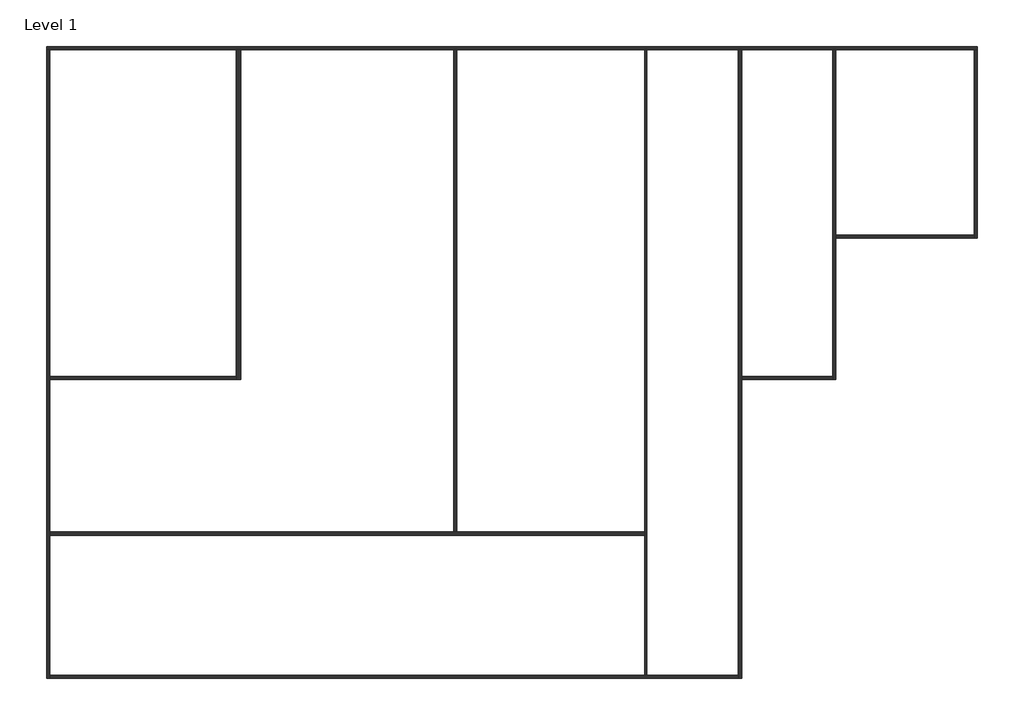
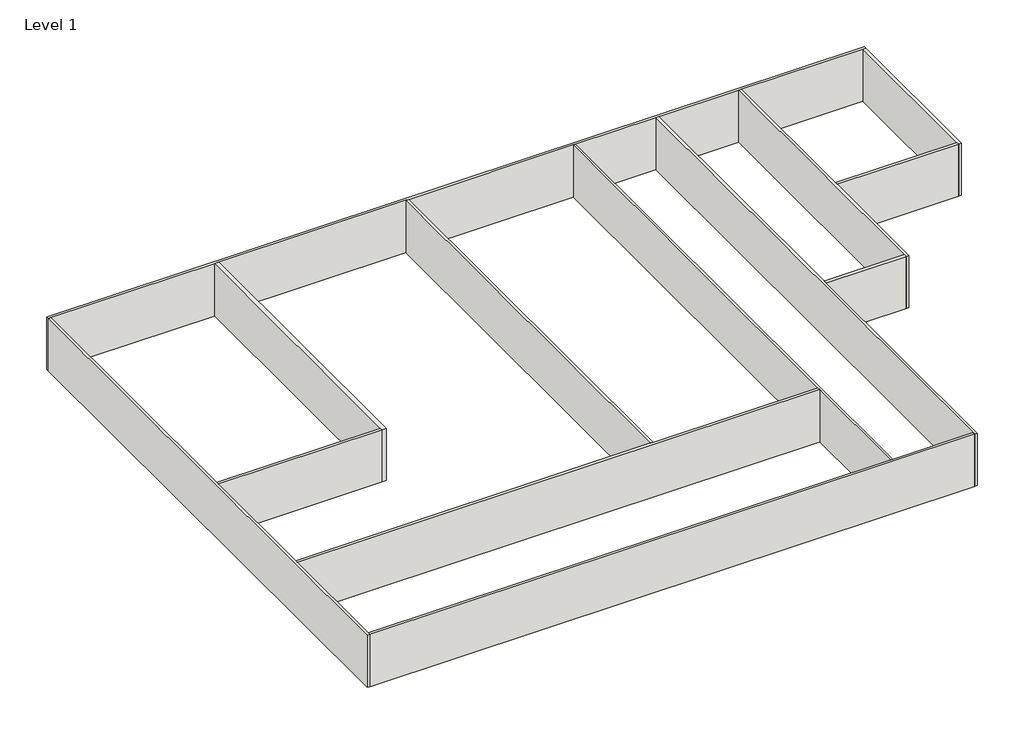
# One storey: 13 walls.
"""IFC4 building model written with IfcOpenShell, lengths in millimetres."""

from ifc_helpers import new_model, si_unit, origin, origin_with_axes, place, context, project, spatial, polyline, outline, extrude, faceted_brep, element, save

model = new_model("IFC4")

# Units and contexts
model_context = context("Model", 3, world=origin())
ifc_project = project(units=[si_unit("LENGTHUNIT", "METRE", prefix="MILLI")], contexts=[model_context])

# Site, building, storey
site = spatial("IfcSite", under=ifc_project)
building = spatial("IfcBuilding", under=site)
storey = spatial("IfcBuildingStorey", under=building, Name="Level 1", Elevation=0.0)

# Walls
placement = place(None, origin())
element("IfcWall", 1, ObjectType="Generic - 140mm Masonry", at=placement, inside=storey, context=model_context, shape_type="Brep", body=[
    faceted_brep([(19366.3587978, 18394.0384489, 0.0), (19366.3587978, -12293.4615511, 0.0), (19366.3587978, -12518.4615511, 0.0), (19366.3587978, -21405.9615511, 0.0), (19366.3587978, -21405.9615511, 4000.0), (19366.3587978, -12518.4615511, 4000.0), (19366.3587978, -12293.4615511, 4000.0), (19366.3587978, 18394.0384489, 4000.0), (19506.3587978, 18394.0384489, 0.0), (19506.3587978, 18394.0384489, 4000.0), (19506.3587978, -21405.9615511, 4000.0), (19506.3587978, -21405.9615511, 0.0)], [[[0, 1, 2, 3, 4, 5, 6, 7]], [[8, 9, 10, 11]], [[3, 2, 1, 0, 8, 11]], [[7, 6, 5, 4, 10, 9]], [[4, 3, 11, 10]], [[0, 7, 9, 8]]]),
])
element("IfcWall", 2, ObjectType="Generic - 200mm", at=placement, inside=storey, context=model_context, shape_type="Brep", body=[
    faceted_brep([(-18663.6412022, 18394.0384489, 0.0), (-18463.6412022, 18394.0384489, 0.0), (-6613.6412022, 18394.0384489, 0.0), (-6313.6412022, 18394.0384489, 0.0), (7236.3587978, 18394.0384489, 0.0), (7436.3587978, 18394.0384489, 0.0), (19366.3587978, 18394.0384489, 0.0), (19506.3587978, 18394.0384489, 0.0), (25336.3587978, 18394.0384489, 0.0), (25536.3587978, 18394.0384489, 0.0), (31336.3587978, 18394.0384489, 0.0), (31536.3587978, 18394.0384489, 0.0), (40336.3587978, 18394.0384489, 0.0), (40536.3587978, 18394.0384489, 0.0), (40536.3587978, 18394.0384489, 4000.0), (40336.3587978, 18394.0384489, 4000.0), (31536.3587978, 18394.0384489, 4000.0), (31336.3587978, 18394.0384489, 4000.0), (25536.3587978, 18394.0384489, 4000.0), (25336.3587978, 18394.0384489, 4000.0), (19506.3587978, 18394.0384489, 4000.0), (19366.3587978, 18394.0384489, 4000.0), (7436.3587978, 18394.0384489, 4000.0), (7236.3587978, 18394.0384489, 4000.0), (-6313.6412022, 18394.0384489, 4000.0), (-6613.6412022, 18394.0384489, 4000.0), (-18463.6412022, 18394.0384489, 4000.0), (-18663.6412022, 18394.0384489, 4000.0), (-18663.6412022, 18594.0384489, 0.0), (-18663.6412022, 18594.0384489, 4000.0), (40536.3587978, 18594.0384489, 4000.0), (40536.3587978, 18594.0384489, 0.0)], [[[0, 1, 2, 3, 4, 5, 6, 7, 8, 9, 10, 11, 12, 13, 14, 15, 16, 17, 18, 19, 20, 21, 22, 23, 24, 25, 26, 27]], [[28, 29, 30, 31]], [[13, 12, 11, 10, 9, 8, 7, 6, 5, 4, 3, 2, 1, 0, 28, 31]], [[27, 26, 25, 24, 23, 22, 21, 20, 19, 18, 17, 16, 15, 14, 30, 29]], [[0, 27, 29, 28]], [[14, 13, 31, 30]]]),
])
element("IfcWall", 3, ObjectType="Generic - 200mm", at=placement, inside=storey, context=model_context, shape_type="Brep", body=[
    faceted_brep([(-18463.6412022, -21605.9615511, 0.0), (-18463.6412022, -21405.9615511, 0.0), (-18463.6412022, -12518.4615511, 0.0), (-18463.6412022, -12293.4615511, 0.0), (-18463.6412022, -2605.9615511, 0.0), (-18463.6412022, -2405.9615511, 0.0), (-18463.6412022, 18394.0384489, 0.0), (-18463.6412022, 18394.0384489, 4000.0), (-18463.6412022, -2405.9615511, 4000.0), (-18463.6412022, -2605.9615511, 4000.0), (-18463.6412022, -12293.4615511, 4000.0), (-18463.6412022, -12518.4615511, 4000.0), (-18463.6412022, -21405.9615511, 4000.0), (-18463.6412022, -21605.9615511, 4000.0), (-18663.6412022, -21605.9615511, 0.0), (-18663.6412022, -21605.9615511, 4000.0), (-18663.6412022, 18394.0384489, 4000.0), (-18663.6412022, 18394.0384489, 0.0)], [[[0, 1, 2, 3, 4, 5, 6, 7, 8, 9, 10, 11, 12, 13]], [[14, 15, 16, 17]], [[6, 5, 4, 3, 2, 1, 0, 14, 17]], [[13, 12, 11, 10, 9, 8, 7, 16, 15]], [[0, 13, 15, 14]], [[7, 6, 17, 16]]]),
])
element("IfcWall", 4, ObjectType="Generic - 200mm", at=placement, inside=storey, context=model_context, shape_type="Brep", body=[
    faceted_brep([(25336.3587978, -21405.9615511, 0.0), (19506.3587978, -21405.9615511, 0.0), (19366.3587978, -21405.9615511, 0.0), (-18463.6412022, -21405.9615511, 0.0), (-18463.6412022, -21405.9615511, 4000.0), (19366.3587978, -21405.9615511, 4000.0), (19506.3587978, -21405.9615511, 4000.0), (25336.3587978, -21405.9615511, 4000.0), (25336.3587978, -21605.9615511, 0.0), (25336.3587978, -21605.9615511, 4000.0), (-18463.6412022, -21605.9615511, 4000.0), (-18463.6412022, -21605.9615511, 0.0)], [[[0, 1, 2, 3, 4, 5, 6, 7]], [[8, 9, 10, 11]], [[3, 2, 1, 0, 8, 11]], [[7, 6, 5, 4, 10, 9]], [[4, 3, 11, 10]], [[0, 7, 9, 8]]]),
])
element("IfcWall", 5, ObjectType="Generic - 200mm", at=placement, inside=storey, context=model_context, shape_type="SweptSolid", body=[
    extrude(outline(polyline([(-18463.6412022, -2405.9615511), (-6613.6412022, -2405.9615511), (-6613.6412022, -2605.9615511), (-18463.6412022, -2605.9615511), (-18463.6412022, -2405.9615511)])), origin_with_axes(), (0.0, 0.0, 1.0), 4000.0),
])
element("IfcWall", 6, ObjectType="Generic - 200mm", at=placement, inside=storey, context=model_context, shape_type="SweptSolid", body=[
    extrude(outline(polyline([(7436.3587978, 18394.0384489), (7436.3587978, -12293.4615511), (7236.3587978, -12293.4615511), (7236.3587978, 18394.0384489), (7436.3587978, 18394.0384489)])), origin_with_axes(), (0.0, 0.0, 1.0), 4000.0),
])
element("IfcWall", 7, ObjectType="Generic - 200mm", at=placement, inside=storey, context=model_context, shape_type="Brep", body=[
    faceted_brep([(40336.3587978, 18394.0384489, 0.0), (40336.3587978, 6594.0384489, 0.0), (40336.3587978, 6394.0384489, 0.0), (40336.3587978, 6394.0384489, 4000.0), (40336.3587978, 6594.0384489, 4000.0), (40336.3587978, 18394.0384489, 4000.0), (40536.3587978, 18394.0384489, 0.0), (40536.3587978, 18394.0384489, 4000.0), (40536.3587978, 6394.0384489, 4000.0), (40536.3587978, 6394.0384489, 0.0)], [[[0, 1, 2, 3, 4, 5]], [[6, 7, 8, 9]], [[2, 1, 0, 6, 9]], [[5, 4, 3, 8, 7]], [[0, 5, 7, 6]], [[3, 2, 9, 8]]]),
])
element("IfcWall", 8, ObjectType="Generic - 200mm", at=placement, inside=storey, context=model_context, shape_type="SweptSolid", body=[
    extrude(outline(polyline([(31536.3587978, 6594.0384489), (40336.3587978, 6594.0384489), (40336.3587978, 6394.0384489), (31536.3587978, 6394.0384489), (31536.3587978, 6594.0384489)])), origin_with_axes(), (0.0, 0.0, 1.0), 4000.0),
])
element("IfcWall", 9, ObjectType="Generic - 200mm", at=placement, inside=storey, context=model_context, shape_type="Brep", body=[
    faceted_brep([(31336.3587978, 18394.0384489, 0.0), (31336.3587978, -2405.9615511, 0.0), (31336.3587978, -2605.9615511, 0.0), (31336.3587978, -2605.9615511, 4000.0), (31336.3587978, -2405.9615511, 4000.0), (31336.3587978, 18394.0384489, 4000.0), (31536.3587978, 18394.0384489, 0.0), (31536.3587978, 18394.0384489, 4000.0), (31536.3587978, 6594.0384489, 4000.0), (31536.3587978, 6394.0384489, 4000.0), (31536.3587978, -2605.9615511, 4000.0), (31536.3587978, -2605.9615511, 0.0), (31536.3587978, 6394.0384489, 0.0), (31536.3587978, 6594.0384489, 0.0)], [[[0, 1, 2, 3, 4, 5]], [[6, 7, 8, 9, 10, 11, 12, 13]], [[2, 1, 0, 6, 13, 12, 11]], [[5, 4, 3, 10, 9, 8, 7]], [[3, 2, 11, 10]], [[0, 5, 7, 6]]]),
])
element("IfcWall", 10, ObjectType="Generic - 200mm", at=placement, inside=storey, context=model_context, shape_type="SweptSolid", body=[
    extrude(outline(polyline([(25536.3587978, -2405.9615511), (31336.3587978, -2405.9615511), (31336.3587978, -2605.9615511), (25536.3587978, -2605.9615511), (25536.3587978, -2405.9615511)])), origin_with_axes(), (0.0, 0.0, 1.0), 4000.0),
])
element("IfcWall", 11, ObjectType="Generic - 200mm", at=placement, inside=storey, context=model_context, shape_type="Brep", body=[
    faceted_brep([(25336.3587978, 18394.0384489, 0.0), (25336.3587978, -21405.9615511, 0.0), (25336.3587978, -21605.9615511, 0.0), (25336.3587978, -21605.9615511, 4000.0), (25336.3587978, -21405.9615511, 4000.0), (25336.3587978, 18394.0384489, 4000.0), (25536.3587978, 18394.0384489, 0.0), (25536.3587978, 18394.0384489, 4000.0), (25536.3587978, -2405.9615511, 4000.0), (25536.3587978, -2605.9615511, 4000.0), (25536.3587978, -21605.9615511, 4000.0), (25536.3587978, -21605.9615511, 0.0), (25536.3587978, -2605.9615511, 0.0), (25536.3587978, -2405.9615511, 0.0)], [[[0, 1, 2, 3, 4, 5]], [[6, 7, 8, 9, 10, 11, 12, 13]], [[2, 1, 0, 6, 13, 12, 11]], [[5, 4, 3, 10, 9, 8, 7]], [[3, 2, 11, 10]], [[0, 5, 7, 6]]]),
])
element("IfcWall", 12, ObjectType="Generic - 225mm Masonry", at=placement, inside=storey, context=model_context, shape_type="Brep", body=[
    faceted_brep([(-18463.6412022, -12518.4615511, 0.0), (19366.3587978, -12518.4615511, 0.0), (19366.3587978, -12518.4615511, 4000.0), (-18463.6412022, -12518.4615511, 4000.0), (-18463.6412022, -12293.4615511, 0.0), (-18463.6412022, -12293.4615511, 4000.0), (7236.3587978, -12293.4615511, 4000.0), (7436.3587978, -12293.4615511, 4000.0), (19366.3587978, -12293.4615511, 4000.0), (19366.3587978, -12293.4615511, 0.0), (7436.3587978, -12293.4615511, 0.0), (7236.3587978, -12293.4615511, 0.0)], [[[0, 1, 2, 3]], [[4, 5, 6, 7, 8, 9, 10, 11]], [[1, 0, 4, 11, 10, 9]], [[3, 2, 8, 7, 6, 5]], [[0, 3, 5, 4]], [[2, 1, 9, 8]]]),
])
element("IfcWall", 13, ObjectType="Generic - 300mm", at=placement, inside=storey, context=model_context, shape_type="Brep", body=[
    faceted_brep([(-6613.6412022, 18394.0384489, 0.0), (-6613.6412022, -2405.9615511, 0.0), (-6613.6412022, -2605.9615511, 0.0), (-6613.6412022, -2605.9615511, 4000.0), (-6613.6412022, -2405.9615511, 4000.0), (-6613.6412022, 18394.0384489, 4000.0), (-6313.6412022, 18394.0384489, 0.0), (-6313.6412022, 18394.0384489, 4000.0), (-6313.6412022, -2605.9615511, 4000.0), (-6313.6412022, -2605.9615511, 0.0)], [[[0, 1, 2, 3, 4, 5]], [[6, 7, 8, 9]], [[2, 1, 0, 6, 9]], [[5, 4, 3, 8, 7]], [[0, 5, 7, 6]], [[3, 2, 9, 8]]]),
])

save(model, "model.ifc")
